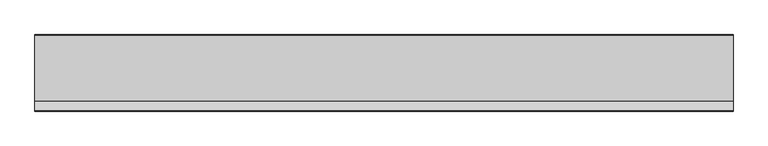
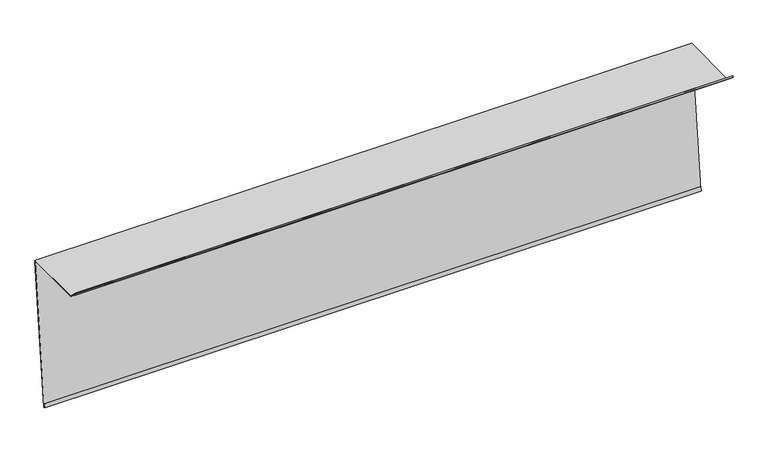
"""IFC4 building model written with IfcOpenShell, lengths in millimetres: proxy geometry."""

from ifc_helpers import new_model, si_unit, origin, place, context, project, spatial, faceted_brep, source, transform, mapped, element, save


def generic_models_3bcace6b(model_context):
    return source(origin(), model_context, "Body", "Brep", [
        faceted_brep([(0.0, 5.0275414, 0.0), (0.0, 4.0220331, 0.0), (0.0, 4.1271374, 1.0), (0.0, -145.1764637, 1.0), (0.0, -165.9754536, 21.7989899), (0.0, -166.6825603, 21.0918831), (0.0, -160.3185993, 14.7279221), (0.0, -161.0257061, 14.0208153), (0.0, -168.0967739, 21.0918831), (0.0, -165.9754536, 23.2132034), (0.0, -144.7622501, 2.0), (0.0, 5.2377499, 2.0), (0.0, -31.7589409, -350.0), (0.0, -34.7425066, -349.6864146), (0.0, -33.697222, -339.7411957), (0.0, -32.7027001, -339.8457241), (0.0, -33.6434563, -348.7964212), (0.0, -32.6489344, -348.9009496), (1580.0, 4.0220331, 0.0), (1580.0, 5.0275414, 0.0), (1580.0, 5.2377499, 2.0), (1580.0, -144.7622501, 2.0), (1580.0, -165.9754536, 23.2132034), (1580.0, -168.0967739, 21.0918831), (1580.0, -161.0257061, 14.0208153), (1580.0, -160.3185993, 14.7279221), (1580.0, -166.6825603, 21.0918831), (1580.0, -165.9754536, 21.7989899), (1580.0, -145.1764637, 1.0), (1580.0, 4.1271374, 1.0), (1580.0, -32.6489344, -348.9009496), (1580.0, -33.6434563, -348.7964212), (1580.0, -32.7027001, -339.8457241), (1580.0, -33.697222, -339.7411957), (1580.0, -34.7425066, -349.6864146), (1580.0, -31.7589409, -350.0)], [[[0, 1, 2, 3, 4, 5, 6, 7, 8, 9, 10, 11]], [[1, 0, 12, 13, 14, 15, 16, 17]], [[18, 19, 20, 21, 22, 23, 24, 25, 26, 27, 28, 29]], [[19, 18, 30, 31, 32, 33, 34, 35]], [[8, 7, 24, 23]], [[14, 13, 34, 33]], [[13, 12, 35, 34]], [[6, 5, 26, 25]], [[5, 4, 27, 26]], [[4, 3, 28, 27]], [[3, 2, 29, 28]], [[2, 1, 17, 30, 18, 29]], [[17, 16, 31, 30]], [[16, 15, 32, 31]], [[15, 14, 33, 32]], [[7, 6, 25, 24]], [[0, 11, 20, 19, 35, 12]], [[11, 10, 21, 20]], [[10, 9, 22, 21]], [[9, 8, 23, 22]]]),
    ])


if __name__ == "__main__":
    model = new_model("IFC4")
    model_context = context("Model", 3, world=origin())
    ifc_project = project(units=[si_unit("LENGTHUNIT", "METRE", prefix="MILLI")], contexts=[model_context])
    site = spatial("IfcSite", under=ifc_project)
    building = spatial("IfcBuilding", under=site)
    placement = place(None, origin())
    generic_models_shape = generic_models_3bcace6b(model_context)
    element("IfcBuildingElementProxy", 1, Name="Generic Models", at=placement, inside=building, context=model_context, shape_type="MappedRepresentation", body=[
        mapped(generic_models_shape, transform((0.0, 0.0, 0.0), x_axis=(1.0, 0.0, 0.0), y_axis=(0.0, 1.0, 0.0), z_axis=(0.0, 0.0, 1.0))),
    ])
    save(model, "model.ifc")
